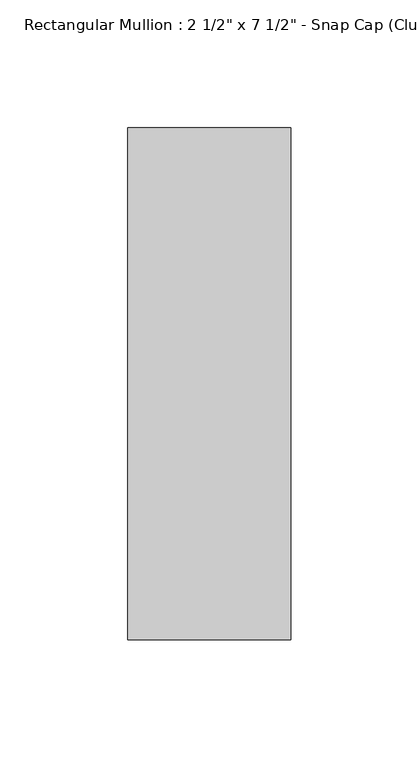
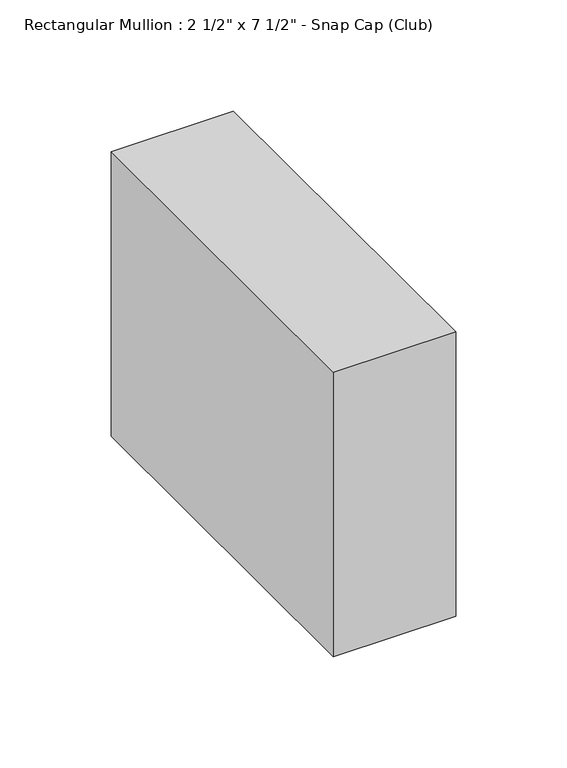
"""IFC4 building model written with IfcOpenShell, lengths in millimetres: member geometry."""

from ifc_helpers import new_model, si_unit, frame, origin, place, context, project, spatial, polyline, outline, extrude, source, transform, mapped, element, save


def member_3d75a8a9(model_context):
    return source(origin(), model_context, "Body", "SweptSolid", [
        extrude(outline(polyline([(0.0, 25.8), (0.0, -174.2), (-63.5, -174.2), (-63.5, 25.8), (0.0, 25.8)])), frame((0.0, 0.0, -156.2598214), z_axis=(0.0, 0.0, 1.0), x_axis=(1.0, 0.0, 0.0)), (0.0, 0.0, 1.0), 156.2598214),
    ])


if __name__ == "__main__":
    model = new_model("IFC4")
    model_context = context("Model", 3, world=origin())
    ifc_project = project(units=[si_unit("LENGTHUNIT", "METRE", prefix="MILLI")], contexts=[model_context])
    site = spatial("IfcSite", under=ifc_project)
    building = spatial("IfcBuilding", under=site)
    placement = place(None, origin())
    member_shape = member_3d75a8a9(model_context)
    element("IfcMember", 1, ObjectType="Rectangular Mullion : 2 1/2\" x 7 1/2\" - Snap Cap (Club)", at=placement, inside=building, context=model_context, shape_type="MappedRepresentation", body=[
        mapped(member_shape, transform((0.0, 0.0, 0.0), x_axis=(1.0, 0.0, 0.0), y_axis=(0.0, 1.0, 0.0), z_axis=(0.0, 0.0, 1.0))),
    ])
    save(model, "model.ifc")
